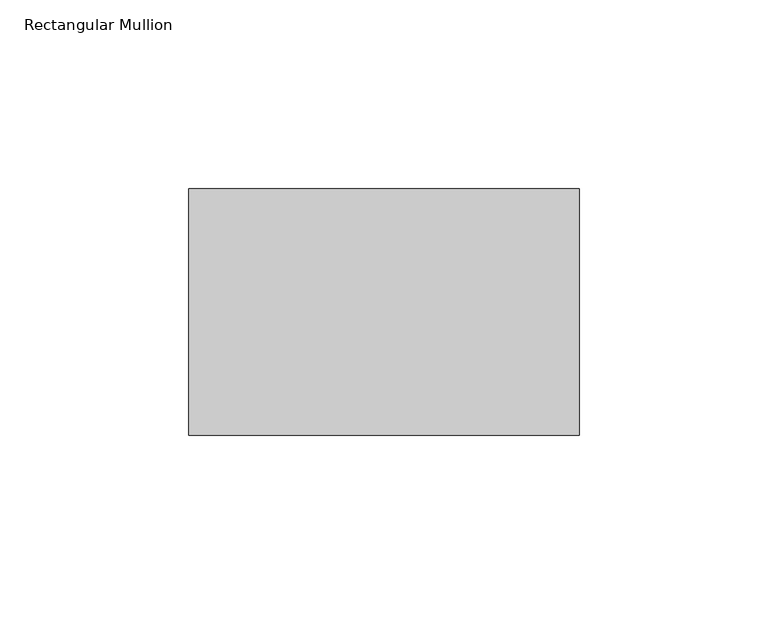
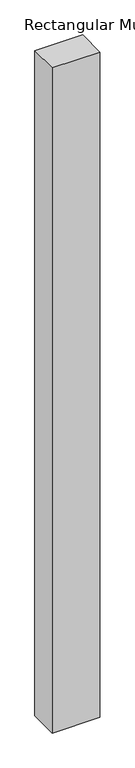
"""IFC4 building model written with IfcOpenShell, lengths in millimetres: member geometry, Rectangular Mullion."""

from ifc_helpers import new_model, si_unit, frame, origin, place, context, project, spatial, polyline, outline, extrude, source, transform, mapped, element, save


def rectangular_mullion_23863e3f(model_context):
    return source(origin(), model_context, "Body", "SweptSolid", [
        extrude(outline(polyline([(0.0, -39.6875), (-103.1875, -39.6875), (-103.1875, 25.4), (0.0, 25.4), (0.0, -39.6875)])), frame((0.0, 0.0, -1524.0), z_axis=(0.0, 0.0, 1.0), x_axis=(1.0, 0.0, 0.0)), (0.0, 0.0, 1.0), 1524.0),
    ])


if __name__ == "__main__":
    model = new_model("IFC4")
    model_context = context("Model", 3, world=origin())
    ifc_project = project(units=[si_unit("LENGTHUNIT", "METRE", prefix="MILLI")], contexts=[model_context])
    site = spatial("IfcSite", under=ifc_project)
    building = spatial("IfcBuilding", under=site)
    placement = place(None, origin())
    rectangular_mullion_shape = rectangular_mullion_23863e3f(model_context)
    element("IfcMember", 1, ObjectType="Rectangular Mullion", at=placement, inside=building, context=model_context, shape_type="MappedRepresentation", body=[
        mapped(rectangular_mullion_shape, transform((0.0, 0.0, 0.0), x_axis=(1.0, 0.0, 0.0), y_axis=(0.0, 1.0, 0.0), z_axis=(0.0, 0.0, 1.0))),
    ])
    save(model, "model.ifc")
